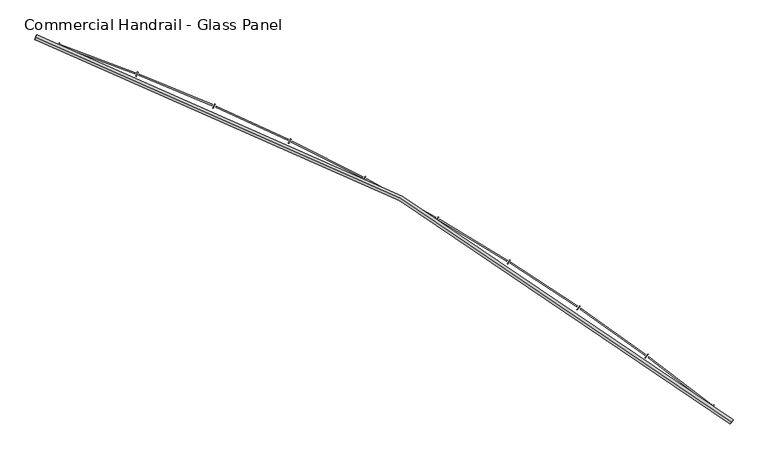
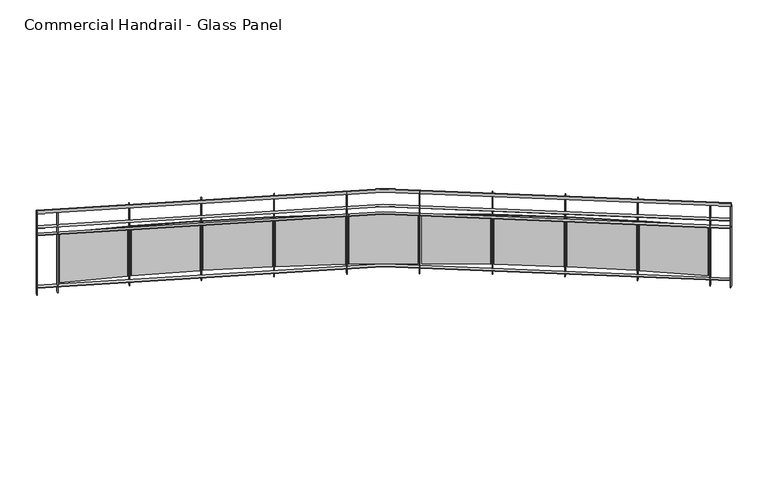
"""IFC4 building model written with IfcOpenShell, lengths in millimetres: railing geometry, Commercial Handrail - Glass Panel."""

from ifc_helpers import new_model, si_unit, point, frame, origin, place, context, project, spatial, polyline, circle_curve, ellipse_curve, trimmed, outline, extrude, source, transform, mapped, element, save
from ifc_brep_helpers import plane_surface, cylinder_surface, revolved_surface, advanced_brep


def commercial_handrail_glass_panel_d27d8a6f(model_context):
    return source(origin(), model_context, "Body", "SolidModel", [
        advanced_brep(
        [(150583.3685507, -40178.0609172, 9482.5), (143915.4015975, -36490.7578825, 9482.5), (143915.4015975, -36490.7578825, 9517.5), (150583.3685507, -40178.0609172, 9517.5)],
        [
            (0, 1, circle_curve(frame((137048.5497623, -56781.179875, 9482.5), z_axis=(0.0, 0.0, 1.0), x_axis=(0.3205678761961466, 0.9472255469269671, 0.0)), 21420.8981782)),
            (1, 2, ellipse_curve(frame((143915.4015975, -36490.7578825, 9500.0), z_axis=(0.9472255469269653, -0.32056787619615223, 0.0), x_axis=(-0.32056787619615223, -0.9472255469269653, 0.0)), 25.0, 17.5)),
            (2, 3, circle_curve(frame((137048.5497623, -56781.179875, 9517.5), z_axis=(0.0, 0.0, -1.0), x_axis=(0.3205678761961466, 0.9472255469269671, 0.0)), 21420.8981782)),
            (3, 0, ellipse_curve(frame((150583.3685507, -40178.0609172, 9500.0), z_axis=(-0.7750897660636332, 0.6318511332136888, 0.0), x_axis=(-0.6318511332136887, -0.775089766063633, 0.0)), 25.0, 17.5)),
            (2, 1, ellipse_curve(frame((143915.4015975, -36490.7578825, 9500.0), z_axis=(0.9472255469269653, -0.32056787619615223, 0.0), x_axis=(-0.32056787619615223, -0.9472255469269653, 0.0)), 25.0, 17.5)),
            (0, 3, ellipse_curve(frame((150583.3685507, -40178.0609172, 9500.0), z_axis=(-0.7750897660636332, 0.6318511332136888, 0.0), x_axis=(-0.6318511332136887, -0.775089766063633, 0.0)), 25.0, 17.5)),
        ],
        [
            revolved_surface(trimmed(ellipse_curve(frame((143915.4015975, -36490.7578825, 9500.0), z_axis=(-0.9472255469269671, 0.3205678761961466, 0.0), x_axis=(0.0, 0.0, -1.0)), 17.5, 25.0), [point((143915.4015975, -36490.7578825, 9517.5))], [point((143915.4015975, -36490.7578825, 9482.5))], True, "CARTESIAN"), (137048.5497623, -56781.179875, 9500.0), (0.0, 0.0, -1.0)),
            revolved_surface(trimmed(ellipse_curve(frame((143915.4015975, -36490.7578825, 9500.0), z_axis=(-0.9472255469269671, 0.3205678761961466, 0.0), x_axis=(0.0, 0.0, -1.0)), 17.5, 25.0), [point((143915.4015975, -36490.7578825, 9482.5))], [point((143915.4015975, -36490.7578825, 9517.5))], True, "CARTESIAN"), (137048.5497623, -56781.179875, 9500.0), (0.0, 0.0, -1.0)),
            plane_surface(frame((143915.4015975, -36490.7578825, 9500.0), z_axis=(-0.9472255469269671, 0.3205678761961466, 0.0), x_axis=(0.3205678761961466, 0.9472255469269671, 0.0))),
            plane_surface(frame((150583.3685507, -40178.0609172, 9500.0), z_axis=(0.7750897660636331, -0.6318511332136886, 0.0), x_axis=(0.6318511332136886, 0.7750897660636331, 0.0))),
        ],
        [
            (0, [[1, 2, 3, 4]]),
            (1, [[-3, 5, -1, 6]]),
            (2, [[-2, -5]]),
            (3, [[-6, -4]]),
        ],
    ),
        advanced_brep(
        [(150597.5852012, -40160.6213975, 9300.0), (143922.6143747, -36469.4453077, 9300.0), (143908.1888203, -36512.0704573, 9300.0), (150569.1519002, -40195.500437, 9300.0), (150597.5852012, -40160.6213975, 9294.0), (143922.6143747, -36469.4453077, 9294.0), (150569.1519002, -40195.500437, 9294.0), (143908.1888203, -36512.0704573, 9294.0)],
        [
            (0, 1, circle_curve(frame((137048.5497623, -56781.179875, 9300.0), z_axis=(0.0, 0.0, 1.0), x_axis=(0.3205678761961466, 0.9472255469269671, 0.0)), 21443.3981782)),
            (1, 2),
            (2, 3, circle_curve(frame((137048.5497623, -56781.179875, 9300.0), z_axis=(0.0, 0.0, -1.0), x_axis=(0.3205678761961466, 0.9472255469269671, 0.0)), 21398.3981782)),
            (3, 0),
            (4, 5, circle_curve(frame((137048.5497623, -56781.179875, 9294.0), z_axis=(0.0, 0.0, 1.0), x_axis=(0.3205678761961466, 0.9472255469269671, 0.0)), 21443.3981782)),
            (5, 1),
            (0, 4),
            (6, 7, circle_curve(frame((137048.5497623, -56781.179875, 9294.0), z_axis=(0.0, 0.0, 1.0), x_axis=(0.3205678761961466, 0.9472255469269671, 0.0)), 21398.3981782)),
            (7, 5),
            (4, 6),
            (2, 7),
            (6, 3),
        ],
        [
            plane_surface(frame((137048.5497623, -56781.179875, 9300.0), z_axis=(0.0, 0.0, 1.0), x_axis=(0.3205678761961466, 0.9472255469269671, 0.0))),
            cylinder_surface(frame((137048.5497623, -56781.179875, 9300.0), z_axis=(0.0, 0.0, -1.0), x_axis=(0.3205678761961466, 0.9472255469269671, 0.0)), 21443.3981782),
            plane_surface(frame((137048.5497623, -56781.179875, 9294.0), z_axis=(0.0, 0.0, -1.0), x_axis=(0.3205678761961466, 0.9472255469269671, 0.0))),
            revolved_surface(polyline([(143908.18882028508, -36512.07045729349, 9294.0), (143908.18882028508, -36512.07045729349, 9300.0)]), (137048.5497623, -56781.179875, 9300.0), (0.0, 0.0, -1.0)),
            plane_surface(frame((143915.4015975, -36490.7578825, 9300.0), z_axis=(-0.9472255469269671, 0.3205678761961466, 0.0), x_axis=(0.3205678761961466, 0.9472255469269671, 0.0))),
            plane_surface(frame((150583.3685507, -40178.0609172, 9300.0), z_axis=(0.7750897660636331, -0.6318511332136886, 0.0), x_axis=(0.6318511332136886, 0.7750897660636331, 0.0))),
        ],
        [
            (0, [[1, 2, 3, 4]]),
            (1, [[5, 6, -1, 7]]),
            (2, [[8, 9, -5, 10]]),
            (3, [[-3, 11, -8, 12]]),
            (4, [[-2, -6, -9, -11]]),
            (5, [[-12, -10, -7, -4]]),
        ],
    ),
        advanced_brep(
        [(150597.5852012, -40160.6213975, 9200.0), (143922.6143747, -36469.4453077, 9200.0), (143908.1888203, -36512.0704573, 9200.0), (150569.1519002, -40195.500437, 9200.0), (150597.5852012, -40160.6213975, 9194.0), (143922.6143747, -36469.4453077, 9194.0), (150569.1519002, -40195.500437, 9194.0), (143908.1888203, -36512.0704573, 9194.0)],
        [
            (0, 1, circle_curve(frame((137048.5497623, -56781.179875, 9200.0), z_axis=(0.0, 0.0, 1.0), x_axis=(0.3205678761961466, 0.9472255469269671, 0.0)), 21443.3981782)),
            (1, 2),
            (2, 3, circle_curve(frame((137048.5497623, -56781.179875, 9200.0), z_axis=(0.0, 0.0, -1.0), x_axis=(0.3205678761961466, 0.9472255469269671, 0.0)), 21398.3981782)),
            (3, 0),
            (4, 5, circle_curve(frame((137048.5497623, -56781.179875, 9194.0), z_axis=(0.0, 0.0, 1.0), x_axis=(0.3205678761961466, 0.9472255469269671, 0.0)), 21443.3981782)),
            (5, 1),
            (0, 4),
            (6, 7, circle_curve(frame((137048.5497623, -56781.179875, 9194.0), z_axis=(0.0, 0.0, 1.0), x_axis=(0.3205678761961466, 0.9472255469269671, 0.0)), 21398.3981782)),
            (7, 5),
            (4, 6),
            (2, 7),
            (6, 3),
        ],
        [
            plane_surface(frame((137048.5497623, -56781.179875, 9200.0), z_axis=(0.0, 0.0, 1.0), x_axis=(0.3205678761961466, 0.9472255469269671, 0.0))),
            cylinder_surface(frame((137048.5497623, -56781.179875, 9200.0), z_axis=(0.0, 0.0, -1.0), x_axis=(0.3205678761961466, 0.9472255469269671, 0.0)), 21443.3981782),
            plane_surface(frame((137048.5497623, -56781.179875, 9194.0), z_axis=(0.0, 0.0, -1.0), x_axis=(0.3205678761961466, 0.9472255469269671, 0.0))),
            revolved_surface(polyline([(143908.18882028508, -36512.07045729349, 9194.0), (143908.18882028508, -36512.07045729349, 9200.0)]), (137048.5497623, -56781.179875, 9200.0), (0.0, 0.0, -1.0)),
            plane_surface(frame((143915.4015975, -36490.7578825, 9200.0), z_axis=(-0.9472255469269671, 0.3205678761961466, 0.0), x_axis=(0.3205678761961466, 0.9472255469269671, 0.0))),
            plane_surface(frame((150583.3685507, -40178.0609172, 9200.0), z_axis=(0.7750897660636331, -0.6318511332136886, 0.0), x_axis=(0.6318511332136886, 0.7750897660636331, 0.0))),
        ],
        [
            (0, [[1, 2, 3, 4]]),
            (1, [[5, 6, -1, 7]]),
            (2, [[8, 9, -5, 10]]),
            (3, [[-3, 11, -8, 12]]),
            (4, [[-2, -6, -9, -11]]),
            (5, [[-12, -10, -7, -4]]),
        ],
    ),
        advanced_brep(
        [(150597.5852012, -40160.6213975, 8500.0), (143922.6143747, -36469.4453077, 8500.0), (143908.1888203, -36512.0704573, 8500.0), (150569.1519002, -40195.500437, 8500.0), (150597.5852012, -40160.6213975, 8494.0), (143922.6143747, -36469.4453077, 8494.0), (150569.1519002, -40195.500437, 8494.0), (143908.1888203, -36512.0704573, 8494.0)],
        [
            (0, 1, circle_curve(frame((137048.5497623, -56781.179875, 8500.0), z_axis=(0.0, 0.0, 1.0), x_axis=(0.3205678761961466, 0.9472255469269671, 0.0)), 21443.3981782)),
            (1, 2),
            (2, 3, circle_curve(frame((137048.5497623, -56781.179875, 8500.0), z_axis=(0.0, 0.0, -1.0), x_axis=(0.3205678761961466, 0.9472255469269671, 0.0)), 21398.3981782)),
            (3, 0),
            (4, 5, circle_curve(frame((137048.5497623, -56781.179875, 8494.0), z_axis=(0.0, 0.0, 1.0), x_axis=(0.3205678761961466, 0.9472255469269671, 0.0)), 21443.3981782)),
            (5, 1),
            (0, 4),
            (6, 7, circle_curve(frame((137048.5497623, -56781.179875, 8494.0), z_axis=(0.0, 0.0, 1.0), x_axis=(0.3205678761961466, 0.9472255469269671, 0.0)), 21398.3981782)),
            (7, 5),
            (4, 6),
            (2, 7),
            (6, 3),
        ],
        [
            plane_surface(frame((137048.5497623, -56781.179875, 8500.0), z_axis=(0.0, 0.0, 1.0), x_axis=(0.3205678761961466, 0.9472255469269671, 0.0))),
            cylinder_surface(frame((137048.5497623, -56781.179875, 8500.0), z_axis=(0.0, 0.0, -1.0), x_axis=(0.3205678761961466, 0.9472255469269671, 0.0)), 21443.3981782),
            plane_surface(frame((137048.5497623, -56781.179875, 8494.0), z_axis=(0.0, 0.0, -1.0), x_axis=(0.3205678761961466, 0.9472255469269671, 0.0))),
            revolved_surface(polyline([(143908.18882028508, -36512.07045729349, 8494.0), (143908.18882028508, -36512.07045729349, 8500.0)]), (137048.5497623, -56781.179875, 8500.0), (0.0, 0.0, -1.0)),
            plane_surface(frame((143915.4015975, -36490.7578825, 8500.0), z_axis=(-0.9472255469269671, 0.3205678761961466, 0.0), x_axis=(0.3205678761961466, 0.9472255469269671, 0.0))),
            plane_surface(frame((150583.3685507, -40178.0609172, 8500.0), z_axis=(0.7750897660636331, -0.6318511332136886, 0.0), x_axis=(0.6318511332136886, 0.7750897660636331, 0.0))),
        ],
        [
            (0, [[1, 2, 3, 4]]),
            (1, [[5, 6, -1, 7]]),
            (2, [[8, 9, -5, 10]]),
            (3, [[-3, 11, -8, 12]]),
            (4, [[-2, -6, -9, -11]]),
            (5, [[-12, -10, -7, -4]]),
        ],
    ),
        extrude(outline(polyline([(150387.8172497, -40049.3121821), (150415.8741434, -40014.1296479), (150420.565148, -40017.8705671), (150392.5082542, -40053.0531013), (150387.8172497, -40049.3121821)])), frame((0.0, 0.0, 8400.0), z_axis=(0.0, 0.0, 1.0), x_axis=(1.0, 0.0, 0.0)), (0.0, 0.0, 1.0), 1082.1192282),
        extrude(outline(polyline([(149791.3308783, -39551.0349259), (150394.2690459, -40013.7071274), (150386.9636954, -40023.2272037), (149784.0255278, -39560.5550022), (149791.3308783, -39551.0349259)])), frame((0.0, 0.0, 8520.0), z_axis=(0.0, 0.0, 1.0), x_axis=(1.0, 0.0, 0.0)), (0.0, 0.0, 1.0), 660.0),
        extrude(outline(polyline([(149753.7807796, -39562.917524), (149780.5044628, -39526.7119338), (149785.3318748, -39530.2750916), (149758.6081917, -39566.4806817), (149753.7807796, -39562.917524)])), frame((0.0, 0.0, 8400.0), z_axis=(0.0, 0.0, 1.0), x_axis=(1.0, 0.0, 0.0)), (0.0, 0.0, 1.0), 1082.1192282),
        extrude(outline(polyline([(149139.1056536, -39087.2593434), (149758.8986545, -39527.0963996), (149751.9538589, -39536.8826049), (149132.160858, -39097.0455487), (149139.1056536, -39087.2593434)])), frame((0.0, 0.0, 8520.0), z_axis=(0.0, 0.0, 1.0), x_axis=(1.0, 0.0, 0.0)), (0.0, 0.0, 1.0), 660.0),
        extrude(outline(polyline([(149102.0254116, -39100.5357023), (149127.3786149, -39063.3575489), (149132.335702, -39066.737976), (149106.9824987, -39103.9161294), (149102.0254116, -39100.5357023)])), frame((0.0, 0.0, 8400.0), z_axis=(0.0, 0.0, 1.0), x_axis=(1.0, 0.0, 0.0)), (0.0, 0.0, 1.0), 1082.1192282),
        extrude(outline(polyline([(148470.0187657, -38648.1599571), (149105.8022278, -39064.5484649), (149099.2276724, -39074.5871511), (148463.4442103, -38658.1986434), (148470.0187657, -38648.1599571)])), frame((0.0, 0.0, 8520.0), z_axis=(0.0, 0.0, 1.0), x_axis=(1.0, 0.0, 0.0)), (0.0, 0.0, 1.0), 660.0),
        extrude(outline(polyline([(148433.4600931, -38662.8115613), (148457.4074585, -38624.712694), (148462.4873075, -38627.9056761), (148438.5399421, -38666.0045433), (148433.4600931, -38662.8115613)])), frame((0.0, 0.0, 8400.0), z_axis=(0.0, 0.0, 1.0), x_axis=(1.0, 0.0, 0.0)), (0.0, 0.0, 1.0), 1082.1192282),
        extrude(outline(polyline([(147785.0033328, -38234.3491413), (148435.8905832, -38626.7083992), (148429.695437, -38636.9855663), (147778.8081866, -38244.6263084), (147785.0033328, -38234.3491413)])), frame((0.0, 0.0, 8520.0), z_axis=(0.0, 0.0, 1.0), x_axis=(1.0, 0.0, 0.0)), (0.0, 0.0, 1.0), 660.0),
        extrude(outline(polyline([(147749.0172148, -38250.3555574), (147771.5253451, -38211.3891094), (147776.7208715, -38214.3901934), (147754.2127412, -38253.3566414), (147749.0172148, -38250.3555574)])), frame((0.0, 0.0, 8400.0), z_axis=(0.0, 0.0, 1.0), x_axis=(1.0, 0.0, 0.0)), (0.0, 0.0, 1.0), 1082.1192282),
        extrude(outline(polyline([(147085.0146873, -37846.4040024), (147750.0979893, -38214.1868206), (147744.2908922, -38224.6881359), (147079.2075902, -37856.9053177), (147085.0146873, -37846.4040024)])), frame((0.0, 0.0, 8520.0), z_axis=(0.0, 0.0, 1.0), x_axis=(1.0, 0.0, 0.0)), (0.0, 0.0, 1.0), 660.0),
        extrude(outline(polyline([(147049.6513106, -37863.7429077), (147070.6888157, -37823.9632221), (147075.9927737, -37826.7682228), (147054.9552687, -37866.5479084), (147049.6513106, -37863.7429077)])), frame((0.0, 0.0, 8400.0), z_axis=(0.0, 0.0, 1.0), x_axis=(1.0, 0.0, 0.0)), (0.0, 0.0, 1.0), 1082.1192282),
        extrude(outline(polyline([(146371.0290434, -37484.8655743), (147049.3808623, -37827.5590376), (147043.9699129, -37838.2698558), (146365.618094, -37495.5763925), (146371.0290434, -37484.8655743)])), frame((0.0, 0.0, 8520.0), z_axis=(0.0, 0.0, 1.0), x_axis=(1.0, 0.0, 0.0)), (0.0, 0.0, 1.0), 660.0),
        extrude(outline(polyline([(146336.3377264, -37503.5127878), (146355.8752669, -37462.975342), (146361.2802597, -37465.5803474), (146341.7427192, -37506.1177932), (146336.3377264, -37503.5127878)])), frame((0.0, 0.0, 8400.0), z_axis=(0.0, 0.0, 1.0), x_axis=(1.0, 0.0, 0.0)), (0.0, 0.0, 1.0), 1082.1192282),
        extrude(outline(polyline([(145644.0421358, -37150.2380638), (146334.7164324, -37467.364247), (146329.7091769, -37478.2696306), (145639.0348803, -37161.1434474), (145644.0421358, -37150.2380638)])), frame((0.0, 0.0, 8520.0), z_axis=(0.0, 0.0, 1.0), x_axis=(1.0, 0.0, 0.0)), (0.0, 0.0, 1.0), 660.0),
        extrude(outline(polyline([(145610.0712594, -37170.1675797), (145628.0815881, -37128.9289078), (145633.5800777, -37131.3302849), (145615.569749, -37172.5689569), (145610.0712594, -37170.1675797)])), frame((0.0, 0.0, 8400.0), z_axis=(0.0, 0.0, 1.0), x_axis=(1.0, 0.0, 0.0)), (0.0, 0.0, 1.0), 1082.1192282),
        extrude(outline(polyline([(144905.0678309, -36842.9881472), (145607.1013808, -37134.1047815), (145602.5048024, -37145.1895217), (144900.4712525, -36854.0728874), (144905.0678309, -36842.9881472)])), frame((0.0, 0.0, 8520.0), z_axis=(0.0, 0.0, 1.0), x_axis=(1.0, 0.0, 0.0)), (0.0, 0.0, 1.0), 660.0),
        extrude(outline(polyline([(144871.8647714, -36864.1721715), (144888.3227707, -36822.2897855), (144893.9070889, -36824.4841854), (144877.4490896, -36866.3665714), (144871.8647714, -36864.1721715)])), frame((0.0, 0.0, 8400.0), z_axis=(0.0, 0.0, 1.0), x_axis=(1.0, 0.0, 0.0)), (0.0, 0.0, 1.0), 1082.1192282),
        extrude(outline(polyline([(144155.1367129, -36563.5443196), (144867.5504501, -36828.2454095), (144863.3709592, -36839.4940475), (144150.957222, -36574.7929575), (144155.1367129, -36563.5443196)])), frame((0.0, 0.0, 8520.0), z_axis=(0.0, 0.0, 1.0), x_axis=(1.0, 0.0, 0.0)), (0.0, 0.0, 1.0), 660.0),
        extrude(outline(polyline([(144122.7477757, -36585.9533088), (144137.6304932, -36543.4856185), (144143.2928519, -36545.4699808), (144128.4101344, -36587.9376712), (144122.7477757, -36585.9533088)])), frame((0.0, 0.0, 8400.0), z_axis=(0.0, 0.0, 1.0), x_axis=(1.0, 0.0, 0.0)), (0.0, 0.0, 1.0), 1082.1192282),
        extrude(outline(polyline([(150566.8266309, -40193.6048836), (150595.2599319, -40158.7258441), (150599.9104705, -40162.5169509), (150571.4771695, -40197.3959904), (150566.8266309, -40193.6048836)])), frame((0.0, 0.0, 8400.0), z_axis=(0.0, 0.0, 1.0), x_axis=(1.0, 0.0, 0.0)), (0.0, 0.0, 1.0), 1082.1192282),
        extrude(outline(polyline([(143905.3471437, -36511.1087537), (143919.7726981, -36468.4836041), (143925.4560514, -36470.4070113), (143911.030497, -36513.032161), (143905.3471437, -36511.1087537)])), frame((0.0, 0.0, 8400.0), z_axis=(0.0, 0.0, 1.0), x_axis=(1.0, 0.0, 0.0)), (0.0, 0.0, 1.0), 1082.1192282),
    ])


if __name__ == "__main__":
    model = new_model("IFC4")
    model_context = context("Model", 3, world=origin())
    ifc_project = project(units=[si_unit("LENGTHUNIT", "METRE", prefix="MILLI")], contexts=[model_context])
    site = spatial("IfcSite", under=ifc_project)
    building = spatial("IfcBuilding", under=site)
    placement = place(None, origin())
    commercial_handrail_glass_panel_shape = commercial_handrail_glass_panel_d27d8a6f(model_context)
    element("IfcRailing", 1, ObjectType="Commercial Handrail - Glass Panel", at=placement, inside=building, context=model_context, shape_type="MappedRepresentation", body=[
        mapped(commercial_handrail_glass_panel_shape, transform((0.0, 0.0, 0.0), x_axis=(1.0, 0.0, 0.0), y_axis=(0.0, 1.0, 0.0), z_axis=(0.0, 0.0, 1.0))),
    ])
    save(model, "model.ifc")
